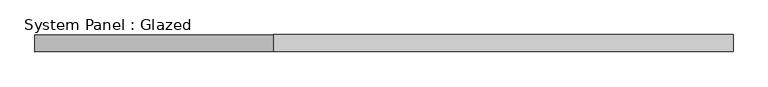
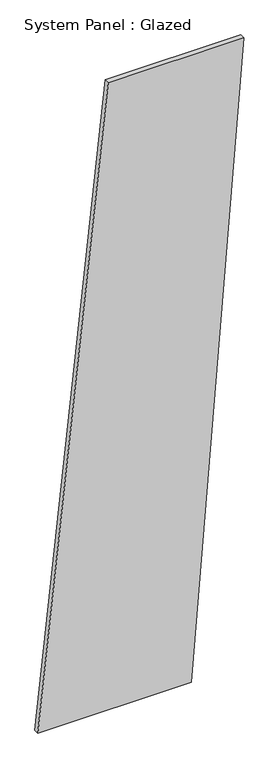
"""IFC4 building model written with IfcOpenShell, lengths in millimetres: plate geometry, System Panel : Glazed."""

from ifc_helpers import new_model, si_unit, frame, origin, place, context, project, spatial, polyline, outline, extrude, source, transform, mapped, element, save


def system_panel_glazed_42b54123(model_context):
    return source(origin(), model_context, "Body", "SweptSolid", [
        extrude(outline(polyline([(0.0, -519.1682119), (0.0, 253.4302484), (3340.72648, 519.1682119), (3340.72648, -164.8509272), (0.0, -519.1682119)])), frame((0.0, -49.5, 0.0), z_axis=(0.0, 1.0, 0.0), x_axis=(0.0, 0.0, 1.0)), (0.0, 0.0, 1.0), 25.0),
    ])


if __name__ == "__main__":
    model = new_model("IFC4")
    model_context = context("Model", 3, world=origin())
    ifc_project = project(units=[si_unit("LENGTHUNIT", "METRE", prefix="MILLI")], contexts=[model_context])
    site = spatial("IfcSite", under=ifc_project)
    building = spatial("IfcBuilding", under=site)
    placement = place(None, origin())
    system_panel_glazed_shape = system_panel_glazed_42b54123(model_context)
    element("IfcPlate", 1, ObjectType="System Panel : Glazed", at=placement, inside=building, context=model_context, shape_type="MappedRepresentation", body=[
        mapped(system_panel_glazed_shape, transform((0.0, 0.0, 0.0), x_axis=(1.0, 0.0, 0.0), y_axis=(0.0, 1.0, 0.0), z_axis=(0.0, 0.0, 1.0))),
    ])
    save(model, "model.ifc")
